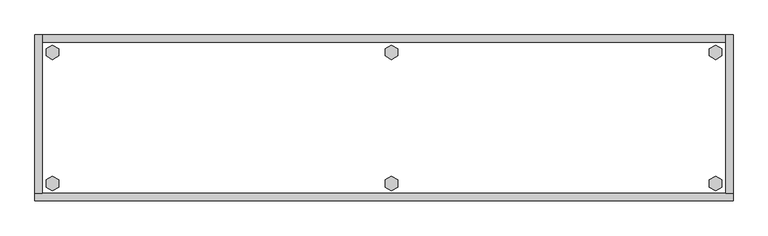
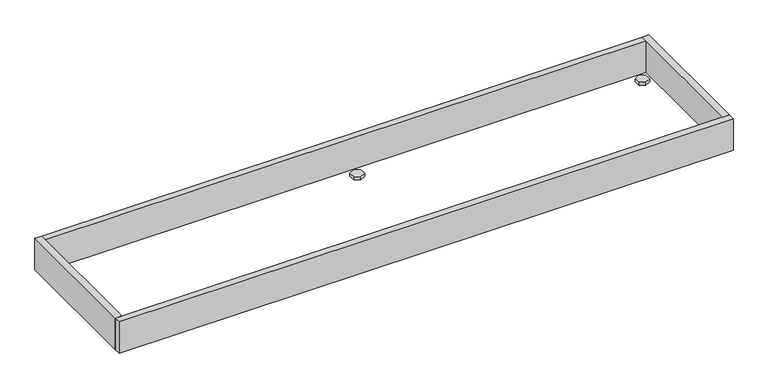
"""IFC4 building model written with IfcOpenShell, lengths in millimetres: furniture geometry."""

from ifc_helpers import new_model, si_unit, frame, origin, origin_with_axes, place, context, project, spatial, polyline, outline, extrude, source, transform, mapped, element, save


def furniture_c04ea94a(model_context):
    return source(origin(), model_context, "Body", "SweptSolid", [
        extrude(outline(polyline([(1730.0735422, -371.8179), (1746.0214, -362.6104), (1761.9692578, -371.8179), (1761.9692578, -390.2329), (1746.0214, -399.4404), (1730.0735422, -390.2329), (1730.0735422, -371.8179)])), origin_with_axes(), (0.0, 0.0, 1.0), 9.144),
        extrude(outline(polyline([(1730.0735422, -35.4711), (1746.0214, -26.2636), (1761.9692578, -35.4711), (1761.9692578, -53.8861), (1746.0214, -63.0936), (1730.0735422, -53.8861), (1730.0735422, -35.4711)])), origin_with_axes(), (0.0, 0.0, 1.0), 9.144),
        extrude(outline(polyline([(898.4521422, -371.8179), (914.4, -362.6104), (930.3478578, -371.8179), (930.3478578, -390.2329), (914.4, -399.4404), (898.4521422, -390.2329), (898.4521422, -371.8179)])), origin_with_axes(), (0.0, 0.0, 1.0), 9.144),
        extrude(outline(polyline([(898.4521422, -35.4711), (914.4, -26.2636), (930.3478578, -35.4711), (930.3478578, -53.8861), (914.4, -63.0936), (898.4521422, -53.8861), (898.4521422, -35.4711)])), origin_with_axes(), (0.0, 0.0, 1.0), 9.144),
        extrude(outline(polyline([(28.7307422, -371.8179), (44.6786, -362.6104), (60.6264578, -371.8179), (60.6264578, -390.2329), (44.6786, -399.4404), (28.7307422, -390.2329), (28.7307422, -371.8179)])), origin_with_axes(), (0.0, 0.0, 1.0), 9.144),
        extrude(outline(polyline([(28.7307422, -35.4711), (44.6786, -26.2636), (60.6264578, -35.4711), (60.6264578, -53.8861), (44.6786, -63.0936), (28.7307422, -53.8861), (28.7307422, -35.4711)])), origin_with_axes(), (0.0, 0.0, 1.0), 9.144),
        extrude(outline(polyline([(19.304, 0.0), (19.304, -406.4), (0.0, -406.4), (0.0, 0.0), (19.304, 0.0)])), frame((0.0, 0.0, 4.699), z_axis=(0.0, 0.0, 1.0), x_axis=(1.0, 0.0, 0.0)), (0.0, 0.0, 1.0), 96.901),
        extrude(outline(polyline([(1790.7, 0.0), (1790.7, -406.4), (1771.396, -406.4), (1771.396, 0.0), (1790.7, 0.0)])), frame((0.0, 0.0, 4.699), z_axis=(0.0, 0.0, 1.0), x_axis=(1.0, 0.0, 0.0)), (0.0, 0.0, 1.0), 96.901),
        extrude(outline(polyline([(1771.396, -19.304), (19.304, -19.304), (19.304, 0.0), (1771.396, 0.0), (1771.396, -19.304)])), frame((0.0, 0.0, 4.699), z_axis=(0.0, 0.0, 1.0), x_axis=(1.0, 0.0, 0.0)), (0.0, 0.0, 1.0), 96.901),
        extrude(outline(polyline([(1790.7, -406.4), (1790.7, -425.704), (0.0, -425.704), (0.0, -406.4), (1790.7, -406.4)])), frame((0.0, 0.0, 4.699), z_axis=(0.0, 0.0, 1.0), x_axis=(1.0, 0.0, 0.0)), (0.0, 0.0, 1.0), 96.901),
    ])


if __name__ == "__main__":
    model = new_model("IFC4")
    model_context = context("Model", 3, world=origin())
    ifc_project = project(units=[si_unit("LENGTHUNIT", "METRE", prefix="MILLI")], contexts=[model_context])
    site = spatial("IfcSite", under=ifc_project)
    building = spatial("IfcBuilding", under=site)
    placement = place(None, origin())
    furniture_shape = furniture_c04ea94a(model_context)
    element("IfcFurniture", 1, at=placement, inside=building, context=model_context, shape_type="MappedRepresentation", body=[
        mapped(furniture_shape, transform((0.0, 0.0, 0.0), x_axis=(1.0, 0.0, 0.0), y_axis=(0.0, 1.0, 0.0), z_axis=(0.0, 0.0, 1.0))),
    ])
    save(model, "model.ifc")
